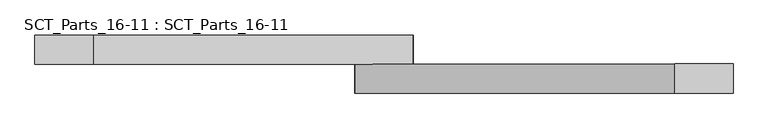
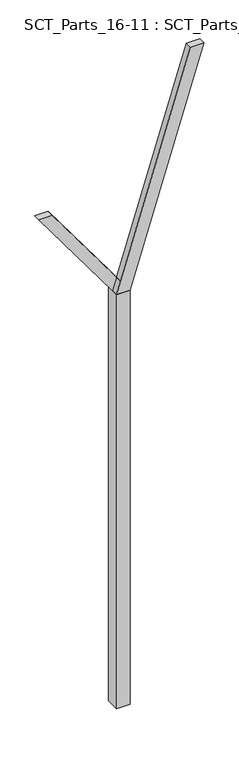
"""IFC4 building model written with IfcOpenShell, lengths in millimetres: proxy geometry, SCT_Parts_16-11 : SCT_Parts_16-11."""

from ifc_helpers import new_model, si_unit, frame, origin, origin_with_axes, place, context, project, spatial, polyline, outline, extrude, source, transform, mapped, element, save


def sct_parts_16_11_sct_parts_16_11_51dd6e6d(model_context):
    return source(origin(), model_context, "Body", "SweptSolid", [
        extrude(outline(polyline([(6500.0, 200.0), (10000.0, 1300.0), (10000.0, 1100.0), (6500.0, 0.0), (6500.0, 200.0)])), frame((0.0, -200.0, 0.0), z_axis=(0.0, 1.0, 0.0), x_axis=(0.0, 0.0, 1.0)), (0.0, 0.0, 1.0), 100.0),
        extrude(outline(polyline([(6500.0, 0.0), (6500.0, 200.0), (8000.0, -900.0), (8000.0, -1100.0), (6500.0, 0.0)])), frame((0.0, -100.0, 0.0), z_axis=(0.0, 1.0, 0.0), x_axis=(0.0, 0.0, 1.0)), (0.0, 0.0, 1.0), 100.0),
        extrude(outline(polyline([(200.0, -200.0), (0.0, -200.0), (0.0, 0.0), (200.0, 0.0), (200.0, -200.0)])), origin_with_axes(), (0.0, 0.0, 1.0), 6500.0),
    ])


if __name__ == "__main__":
    model = new_model("IFC4")
    model_context = context("Model", 3, world=origin())
    ifc_project = project(units=[si_unit("LENGTHUNIT", "METRE", prefix="MILLI")], contexts=[model_context])
    site = spatial("IfcSite", under=ifc_project)
    building = spatial("IfcBuilding", under=site)
    placement = place(None, origin())
    sct_parts_16_11_sct_parts_16_11_shape = sct_parts_16_11_sct_parts_16_11_51dd6e6d(model_context)
    element("IfcBuildingElementProxy", 1, Name="SCT_Parts_16-11 : SCT_Parts_16-11", ObjectType="SCT_Parts_16-11 : SCT_Parts_16-11", at=placement, inside=building, context=model_context, shape_type="MappedRepresentation", body=[
        mapped(sct_parts_16_11_sct_parts_16_11_shape, transform((0.0, 0.0, 0.0), x_axis=(1.0, 0.0, 0.0), y_axis=(0.0, 1.0, 0.0), z_axis=(0.0, 0.0, 1.0))),
    ])
    save(model, "model.ifc")
